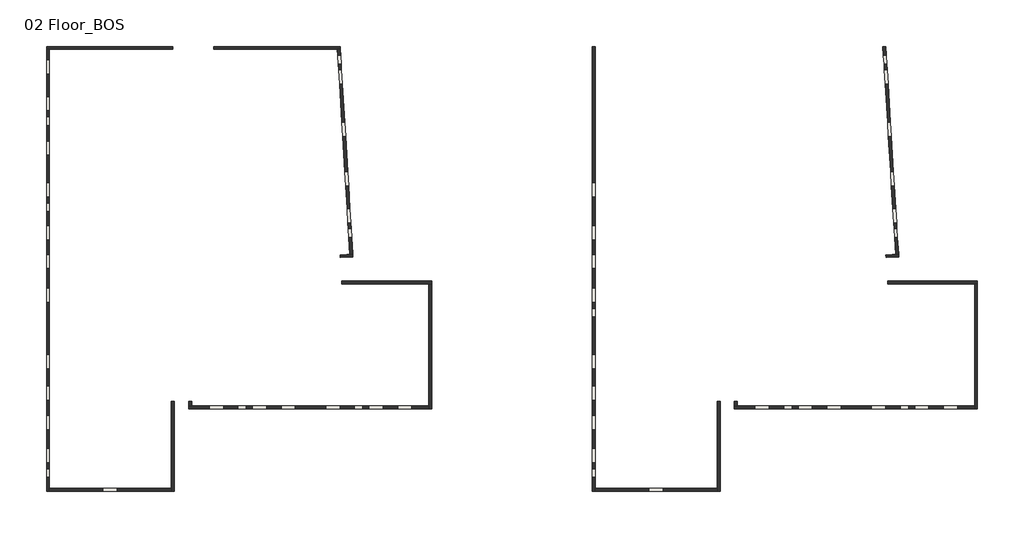
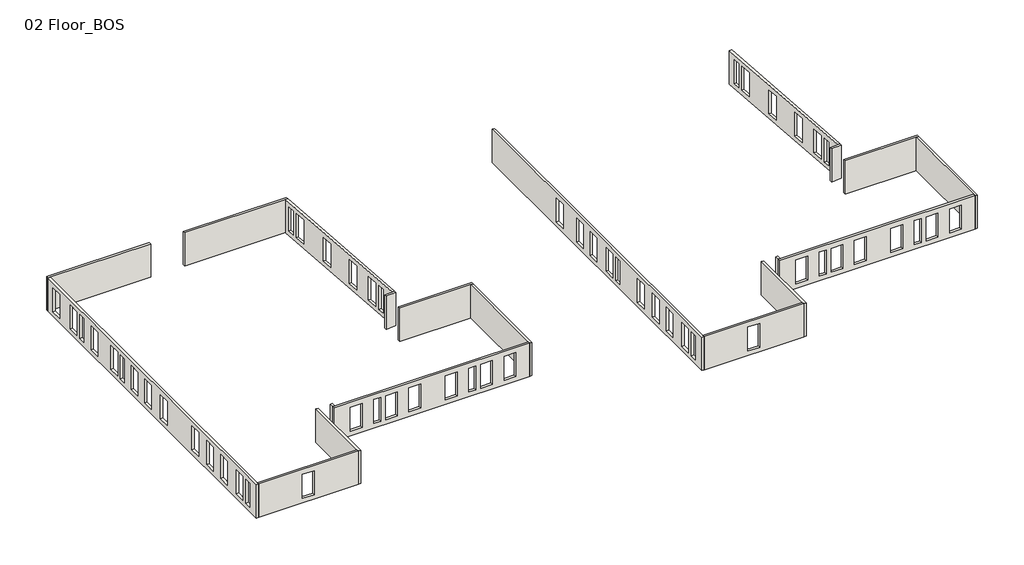
# One storey: 20 walls.
"""IFC4 building model written with IfcOpenShell, lengths in millimetres."""

import ifcopenshell
import ifcopenshell.guid

model = None  # the IFC model being written
_history = None  # IfcOwnerHistory: only IFC2X3 demands one
_inside = {}  # id of a spatial element -> (the spatial element, [elements in it])
_under = {}  # id of a project, library or spatial element -> (it, [spatial elements below it])
_declared = {}  # id of a project -> (the project, [libraries it declares])
_typed = {}  # id of a type object -> (the type object, [elements of that type])
_made_of = {}  # id of a material, layer set ... -> (it, [elements and type objects made of it])


def new_model(schema):
    """Start an empty IFC model of exactly this schema.

    Asked for "IFC4X3", IfcOpenShell would pick the latest addendum, in which some entities
    have other attributes; the version numbers below select the first issue.
    IFC2X3 requires an IfcOwnerHistory on every rooted entity: one is made here for all.
    """
    global model, _history
    if schema == "IFC4X3":
        model = ifcopenshell.file(schema_version=(4, 3, 0, 0))
    else:
        model = ifcopenshell.file(schema=schema)
    _inside.clear()
    _under.clear()
    _declared.clear()
    _typed.clear()
    _made_of.clear()
    _history = None
    if model.schema == "IFC2X3":
        org = make("IfcOrganization", Name="unknown")
        user = make(
            "IfcPersonAndOrganization",
            ThePerson=make("IfcPerson", FamilyName="unknown"),
            TheOrganization=org,
        )
        app = make(
            "IfcApplication",
            ApplicationDeveloper=org,
            Version="unknown",
            ApplicationFullName="unknown",
            ApplicationIdentifier="unknown",
        )
        _history = make(
            "IfcOwnerHistory",
            OwningUser=user,
            OwningApplication=app,
            ChangeAction="ADDED",
            CreationDate=0,
        )
    return model


def make(cls, **values):
    """One entity of the class cls with the attributes given. An attribute that is None is left unset."""
    return model.create_entity(
        cls, **{name: value for name, value in values.items() if value is not None}
    )


def rooted(cls, **values):
    """An entity with a GlobalId (a new one), such as an element, a storey or a relation."""
    return make(cls, GlobalId=ifcopenshell.guid.new(), OwnerHistory=_history, **values)


def si_unit(unit_type, name, prefix=None):
    """IfcSIUnit, for example si_unit("LENGTHUNIT", "METRE", prefix="MILLI")."""
    return make("IfcSIUnit", UnitType=unit_type, Prefix=prefix, Name=name)


def assignment(units):
    """IfcUnitAssignment: the units of a project."""
    return None if units is None else make("IfcUnitAssignment", Units=units)


def point(xyz):
    """IfcCartesianPoint."""
    return None if xyz is None else make("IfcCartesianPoint", Coordinates=xyz)


def direction(xyz):
    """IfcDirection."""
    return None if xyz is None else make("IfcDirection", DirectionRatios=xyz)


def frame(location, z_axis=None, x_axis=None):
    """IfcAxis2Placement3D, a coordinate frame: its origin and axes. An axis left out is left unset."""
    return make(
        "IfcAxis2Placement3D",
        Location=point(location),
        Axis=direction(z_axis),
        RefDirection=direction(x_axis),
    )


def origin():
    """The frame at (0, 0, 0) with its axes left unset."""
    return frame((0.0, 0.0, 0.0))


def place(relative_to, where):
    """IfcLocalPlacement: puts the frame where relative to a parent placement (None: the world)."""
    return make(
        "IfcLocalPlacement", PlacementRelTo=relative_to, RelativePlacement=where
    )


def context(
    kind, dimensions, precision=None, world=None, true_north=None, identifier=None
):
    """IfcGeometricRepresentationContext, for example the 3D "Model" context."""
    return make(
        "IfcGeometricRepresentationContext",
        ContextIdentifier=identifier,
        ContextType=kind,
        CoordinateSpaceDimension=dimensions,
        Precision=precision,
        WorldCoordinateSystem=world,
        TrueNorth=true_north,
    )


def project(units=None, contexts=None):
    """IfcProject with its units and contexts."""
    return rooted(
        "IfcProject",
        Name="project",
        RepresentationContexts=contexts,
        UnitsInContext=assignment(units),
    )


def spatial(cls, under=None, at=None, **own):
    """A site, building, storey or space (cls), placed at a placement, below another one or the project."""
    s = rooted(cls, ObjectPlacement=at, **own)
    if under is not None:
        _under.setdefault(under.id(), (under, []))[1].append(s)
    return s


def faces_of(points, faces, orient=None, outer=None):
    """IfcFace entities. A face is a list of loops; a loop is a list of indices into points, from 0.

    orient and outer hold one flag for each loop. By default every Orientation is true, the
    first loop of a face is its IfcFaceOuterBound and the others are IfcFaceBound.
    """
    made = []
    for i, loops in enumerate(faces):
        bounds = []
        for j, loop in enumerate(loops):
            is_outer = j == 0 if outer is None else outer[i][j]
            bounds.append(
                make(
                    "IfcFaceOuterBound" if is_outer else "IfcFaceBound",
                    Bound=make("IfcPolyLoop", Polygon=[points[k] for k in loop]),
                    Orientation=True if orient is None else orient[i][j],
                )
            )
        made.append(make("IfcFace", Bounds=bounds))
    return made


def faceted_brep(points, faces, orient=None, outer=None, voids=None):
    """IfcFacetedBrep: a solid bounded by flat faces; with voids (closed shells), ...WithVoids."""
    shared = [point(p) for p in points]
    hull = make("IfcClosedShell", CfsFaces=faces_of(shared, faces, orient, outer))
    if voids is None:
        return make("IfcFacetedBrep", Outer=hull)
    return make(
        "IfcFacetedBrepWithVoids",
        Outer=hull,
        Voids=[
            make(cls, CfsFaces=faces_of(shared, fs, o, b)) for cls, fs, o, b in voids
        ],
    )


def shape(context_of_items, identifier, shape_type, items):
    """IfcShapeRepresentation: the items that make up one representation, for example the "Body"."""
    return make(
        "IfcShapeRepresentation",
        ContextOfItems=context_of_items,
        RepresentationIdentifier=identifier,
        RepresentationType=shape_type,
        Items=items,
    )


def made_of(thing, what):
    """Note that an element or type object is made of a material, layer set ...; save() writes the relation."""
    if what is not None:
        _made_of.setdefault(what.id(), (what, []))[1].append(thing)
    return thing


def element(
    cls,
    number,
    at=None,
    inside=None,
    cuts=None,
    type_object=None,
    material=None,
    context=None,
    identifier="Body",
    shape_type=None,
    held_by="IfcProductDefinitionShape",
    body=None,
    shapes=None,
    **own,
):
    """One element of the class cls, such as IfcWall. Its Tag is "e" and its number.

    at: its placement. inside: the storey or other place that contains it. cuts: it is an
    opening in that element (IfcRelVoidsElement). A single representation is given by context,
    identifier, shape_type and body (its items); several are given by shapes. held_by: the class
    of the entity that holds the representations. save() writes the other relations.
    """
    e = rooted(cls, Tag="e%d" % number, ObjectPlacement=at, **own)
    if body is not None:
        shapes = [shape(context, identifier, shape_type, body)]
    if shapes is not None:
        e.Representation = make(held_by, Representations=shapes)
    if inside is not None:
        _inside.setdefault(inside.id(), (inside, []))[1].append(e)
    if cuts is not None:
        rooted(
            "IfcRelVoidsElement", RelatingBuildingElement=cuts, RelatedOpeningElement=e
        )
    if type_object is not None:
        _typed.setdefault(type_object.id(), (type_object, []))[1].append(e)
    return made_of(e, material)


def aggregate(whole, parts):
    """IfcRelAggregates: a whole, such as a stair, and the parts it consists of."""
    return rooted("IfcRelAggregates", RelatingObject=whole, RelatedObjects=parts)


def save(model, path):
    """Write the relations noted so far, then the file.

    IfcRelAggregates (storeys below a building ...), IfcRelContainedInSpatialStructure (elements
    in a storey), IfcRelDefinesByType, IfcRelAssociatesMaterial and IfcRelDeclares: one each for
    every whole, place, type object, material and project.
    """
    for whole, parts in _under.values():
        aggregate(whole, parts)
    for where, things in _inside.values():
        rooted(
            "IfcRelContainedInSpatialStructure",
            RelatedElements=things,
            RelatingStructure=where,
        )
    for kind, things in _typed.values():
        rooted("IfcRelDefinesByType", RelatedObjects=things, RelatingType=kind)
    for what, things in _made_of.values():
        rooted("IfcRelAssociatesMaterial", RelatedObjects=things, RelatingMaterial=what)
    for by, libraries in _declared.values():
        rooted("IfcRelDeclares", RelatingContext=by, RelatedDefinitions=libraries)
    model.write(path)


model = new_model("IFC4")

# Units and contexts
model_context = context("Model", 3, world=origin())
ifc_project = project(units=[si_unit("LENGTHUNIT", "METRE", prefix="MILLI")], contexts=[model_context])

# Site, building, storey
site = spatial("IfcSite", under=ifc_project)
building = spatial("IfcBuilding", under=site)
storey = spatial("IfcBuildingStorey", under=building, Name="02 Floor_BOS", Elevation=6600.0)

# Walls
placement = place(None, origin())
element("IfcWall", 1, ObjectType="GK(2) WD(15)", at=placement, inside=storey, context=model_context, shape_type="Brep", body=[
    faceted_brep([(27156.2953977, 18735.4777309, 6600.0), (28034.5898001, 18789.1965178, 6600.0), (28034.5898001, 18789.1965178, 9600.0), (27156.2953977, 18735.4777309, 9600.0), (27144.0856897, 18935.1046906, 6600.0), (27144.0856897, 18935.1046906, 9600.0), (27822.7531326, 18976.6137696, 9600.0), (28022.3800922, 18988.8234775, 9600.0), (28022.3800922, 18988.8234775, 6600.0), (27822.7531326, 18976.6137696, 6600.0)], [[[0, 1, 2, 3]], [[4, 5, 6, 7, 8, 9]], [[1, 0, 4, 9, 8]], [[3, 2, 7, 6, 5]], [[0, 3, 5, 4]], [[2, 1, 8, 7]]]),
])
element("IfcWall", 2, ObjectType="GK(2) WD(15)", at=placement, inside=storey, context=model_context, shape_type="Brep", body=[
    faceted_brep([(15399.5112257, 2667.8570406, 6600.0), (6899.5112257, 2667.8570406, 6600.0), (6899.5112257, 2667.8570406, 9600.0), (15399.5112257, 2667.8570406, 9600.0), (10628.5611175, 2667.8570406, 9150.0), (10628.5611175, 2667.8570406, 7000.0), (11628.5611175, 2667.8570406, 7000.0), (11628.5611175, 2667.8570406, 9150.0), (6899.5112257, 2467.8570406, 6600.0), (15399.5112257, 2467.8570406, 6600.0), (15399.5112257, 2467.8570406, 9600.0), (6899.5112257, 2467.8570406, 9600.0), (10628.5611175, 2467.8570406, 6990.0), (10628.5611175, 2467.8570406, 9150.0), (11628.5611175, 2467.8570406, 9150.0), (11628.5611175, 2467.8570406, 6990.0)], [[[0, 1, 2, 3], [4, 5, 6, 7]], [[8, 9, 10, 11], [12, 13, 14, 15]], [[1, 0, 9, 8]], [[3, 2, 11, 10]], [[0, 3, 10, 9]], [[2, 1, 8, 11]], [[12, 5, 4, 13]], [[5, 12, 15, 6]], [[6, 15, 14, 7]], [[13, 4, 7, 14]]]),
])
element("IfcWall", 3, ObjectType="GK(2) WD(15)", at=placement, inside=storey, context=model_context, shape_type="Brep", body=[
    faceted_brep([(15399.5112257, 8723.2434241, 6600.0), (15399.5112257, 2667.8570406, 6600.0), (15399.5112257, 2467.8570406, 6600.0), (15399.5112257, 2467.8570406, 9600.0), (15399.5112257, 2667.8570406, 9600.0), (15399.5112257, 8723.2434241, 9600.0), (15599.5112257, 8723.2434241, 6600.0), (15599.5112257, 8723.2434241, 9600.0), (15599.5112257, 2467.8570406, 9600.0), (15599.5112257, 2467.8570406, 6600.0)], [[[0, 1, 2, 3, 4, 5]], [[6, 7, 8, 9]], [[2, 1, 0, 6, 9]], [[5, 4, 3, 8, 7]], [[0, 5, 7, 6]], [[3, 2, 9, 8]]]),
])
element("IfcWall", 4, ObjectType="GK(2) WD(15)", at=placement, inside=storey, context=model_context, shape_type="Brep", body=[
    faceted_brep([(6699.5112257, 33257.8507754, 6600.0), (6699.5112257, 2467.8570406, 6600.0), (6699.5112257, 2467.8570406, 9600.0), (6699.5112257, 33257.8507754, 9600.0), (6699.5112257, 4442.8585979, 9150.0), (6699.5112257, 4442.8585979, 6990.0), (6699.5112257, 5442.8585979, 6990.0), (6699.5112257, 5442.8585979, 9150.0), (6699.5112257, 4032.8585979, 6990.0), (6699.5112257, 4032.8585979, 9150.0), (6699.5112257, 3432.8585979, 9150.0), (6699.5112257, 3432.8585979, 6990.0), (6699.5112257, 20972.8585979, 6990.0), (6699.5112257, 20972.8585979, 9150.0), (6699.5112257, 19972.8585979, 9150.0), (6699.5112257, 19972.8585979, 6990.0), (6699.5112257, 18972.8585979, 6990.0), (6699.5112257, 18972.8585979, 9150.0), (6699.5112257, 17972.8585979, 9150.0), (6699.5112257, 17972.8585979, 6990.0), (6699.5112257, 11002.8585985, 9150.0), (6699.5112257, 11002.8585985, 6990.0), (6699.5112257, 12002.8585985, 6990.0), (6699.5112257, 12002.8585985, 9150.0), (6699.5112257, 9792.8585979, 6990.0), (6699.5112257, 9792.8585979, 9150.0), (6699.5112257, 8792.8585979, 9150.0), (6699.5112257, 8792.8585979, 6990.0), (6699.5112257, 7732.8585979, 6990.0), (6699.5112257, 7732.8585979, 9150.0), (6699.5112257, 6732.8585979, 9150.0), (6699.5112257, 6732.8585979, 6990.0), (6699.5112257, 15622.8585987, 9150.0), (6699.5112257, 15622.8585987, 6990.0), (6699.5112257, 16622.8585987, 6990.0), (6699.5112257, 16622.8585987, 9150.0), (6699.5112257, 22972.8585979, 9150.0), (6699.5112257, 22972.8585979, 6990.0), (6699.5112257, 23972.8585979, 6990.0), (6699.5112257, 23972.8585979, 9150.0), (6699.5112257, 22552.8585979, 6990.0), (6699.5112257, 22552.8585979, 9150.0), (6699.5112257, 21952.8585979, 9150.0), (6699.5112257, 21952.8585979, 6990.0), (6699.5112257, 28972.7138078, 9150.0), (6699.5112257, 28972.7138078, 6990.0), (6699.5112257, 29972.7138078, 6990.0), (6699.5112257, 29972.7138078, 9150.0), (6699.5112257, 28552.7138078, 6990.0), (6699.5112257, 28552.7138078, 9150.0), (6699.5112257, 27952.7138078, 9150.0), (6699.5112257, 27952.7138078, 6990.0), (6699.5112257, 26872.8585979, 6990.0), (6699.5112257, 26872.8585979, 9150.0), (6699.5112257, 25872.8585979, 9150.0), (6699.5112257, 25872.8585979, 6990.0), (6699.5112257, 32524.0326222, 6990.0), (6699.5112257, 32524.0326222, 9150.0), (6699.5112257, 31524.0326222, 9150.0), (6699.5112257, 31524.0326222, 6990.0), (6899.5112257, 2467.8570406, 6600.0), (6899.5112257, 2667.8570406, 6600.0), (6899.5112257, 33257.8507754, 6600.0), (6899.5112257, 33257.8507754, 9600.0), (6899.5112257, 2667.8570406, 9600.0), (6899.5112257, 2467.8570406, 9600.0), (6899.5112257, 4442.8585979, 7000.0), (6899.5112257, 4442.8585979, 9150.0), (6899.5112257, 5442.8585979, 9150.0), (6899.5112257, 5442.8585979, 7000.0), (6899.5112257, 4032.8585979, 9150.0), (6899.5112257, 4032.8585979, 7000.0), (6899.5112257, 3432.8585979, 7000.0), (6899.5112257, 3432.8585979, 9150.0), (6899.5112257, 20972.8585979, 9150.0), (6899.5112257, 20972.8585979, 7000.0), (6899.5112257, 19972.8585979, 7000.0), (6899.5112257, 19972.8585979, 9150.0), (6899.5112257, 18972.8585979, 9150.0), (6899.5112257, 18972.8585979, 7000.0), (6899.5112257, 17972.8585979, 7000.0), (6899.5112257, 17972.8585979, 9150.0), (6899.5112257, 11002.8585985, 7000.0), (6899.5112257, 11002.8585985, 9150.0), (6899.5112257, 12002.8585985, 9150.0), (6899.5112257, 12002.8585985, 7000.0), (6899.5112257, 9792.8585979, 9150.0), (6899.5112257, 9792.8585979, 7000.0), (6899.5112257, 8792.8585979, 7000.0), (6899.5112257, 8792.8585979, 9150.0), (6899.5112257, 7732.8585979, 9150.0), (6899.5112257, 7732.8585979, 7000.0), (6899.5112257, 6732.8585979, 7000.0), (6899.5112257, 6732.8585979, 9150.0), (6899.5112257, 15622.8585987, 7000.0), (6899.5112257, 15622.8585987, 9150.0), (6899.5112257, 16622.8585987, 9150.0), (6899.5112257, 16622.8585987, 7000.0), (6899.5112257, 22972.8585979, 7000.0), (6899.5112257, 22972.8585979, 9150.0), (6899.5112257, 23972.8585979, 9150.0), (6899.5112257, 23972.8585979, 7000.0), (6899.5112257, 22552.8585979, 9150.0), (6899.5112257, 22552.8585979, 7000.0), (6899.5112257, 21952.8585979, 7000.0), (6899.5112257, 21952.8585979, 9150.0), (6899.5112257, 28972.7138078, 7000.0), (6899.5112257, 28972.7138078, 9150.0), (6899.5112257, 29972.7138078, 9150.0), (6899.5112257, 29972.7138078, 7000.0), (6899.5112257, 28552.7138078, 9150.0), (6899.5112257, 28552.7138078, 7000.0), (6899.5112257, 27952.7138078, 7000.0), (6899.5112257, 27952.7138078, 9150.0), (6899.5112257, 26872.8585979, 9150.0), (6899.5112257, 26872.8585979, 7000.0), (6899.5112257, 25872.8585979, 7000.0), (6899.5112257, 25872.8585979, 9150.0), (6899.5112257, 32524.0326222, 9150.0), (6899.5112257, 32524.0326222, 7000.0), (6899.5112257, 31524.0326222, 7000.0), (6899.5112257, 31524.0326222, 9150.0)], [[[0, 1, 2, 3], [4, 5, 6, 7], [8, 9, 10, 11], [12, 13, 14, 15], [16, 17, 18, 19], [20, 21, 22, 23], [24, 25, 26, 27], [28, 29, 30, 31], [32, 33, 34, 35], [36, 37, 38, 39], [40, 41, 42, 43], [44, 45, 46, 47], [48, 49, 50, 51], [52, 53, 54, 55], [56, 57, 58, 59]], [[60, 61, 62, 63, 64, 65], [66, 67, 68, 69], [70, 71, 72, 73], [74, 75, 76, 77], [78, 79, 80, 81], [82, 83, 84, 85], [86, 87, 88, 89], [90, 91, 92, 93], [94, 95, 96, 97], [98, 99, 100, 101], [102, 103, 104, 105], [106, 107, 108, 109], [110, 111, 112, 113], [114, 115, 116, 117], [118, 119, 120, 121]], [[1, 0, 62, 61, 60]], [[3, 2, 65, 64, 63]], [[2, 1, 60, 65]], [[0, 3, 63, 62]], [[4, 67, 66, 5]], [[5, 66, 69, 6]], [[6, 69, 68, 7]], [[67, 4, 7, 68]], [[8, 71, 70, 9]], [[71, 8, 11, 72]], [[72, 11, 10, 73]], [[9, 70, 73, 10]], [[12, 75, 74, 13]], [[75, 12, 15, 76]], [[76, 15, 14, 77]], [[13, 74, 77, 14]], [[16, 79, 78, 17]], [[79, 16, 19, 80]], [[80, 19, 18, 81]], [[17, 78, 81, 18]], [[20, 83, 82, 21]], [[21, 82, 85, 22]], [[22, 85, 84, 23]], [[83, 20, 23, 84]], [[24, 87, 86, 25]], [[87, 24, 27, 88]], [[88, 27, 26, 89]], [[25, 86, 89, 26]], [[28, 91, 90, 29]], [[91, 28, 31, 92]], [[92, 31, 30, 93]], [[29, 90, 93, 30]], [[32, 95, 94, 33]], [[33, 94, 97, 34]], [[34, 97, 96, 35]], [[95, 32, 35, 96]], [[36, 99, 98, 37]], [[37, 98, 101, 38]], [[38, 101, 100, 39]], [[99, 36, 39, 100]], [[40, 103, 102, 41]], [[103, 40, 43, 104]], [[104, 43, 42, 105]], [[41, 102, 105, 42]], [[44, 107, 106, 45]], [[45, 106, 109, 46]], [[46, 109, 108, 47]], [[107, 44, 47, 108]], [[48, 111, 110, 49]], [[111, 48, 51, 112]], [[112, 51, 50, 113]], [[49, 110, 113, 50]], [[52, 115, 114, 53]], [[115, 52, 55, 116]], [[116, 55, 54, 117]], [[53, 114, 117, 54]], [[56, 119, 118, 57]], [[119, 56, 59, 120]], [[120, 59, 58, 121]], [[57, 118, 121, 58]]]),
])
element("IfcWall", 5, ObjectType="GK(2) WD(15)", at=placement, inside=storey, context=model_context, shape_type="Brep", body=[
    faceted_brep([(27268.5946432, 16899.4012959, 6600.0), (33319.5112257, 16899.4012959, 6600.0), (33519.5112257, 16899.4012959, 6600.0), (33519.5112257, 16899.4012959, 9600.0), (33319.5112257, 16899.4012959, 9600.0), (27268.5946432, 16899.4012959, 9600.0), (27268.5946432, 16899.4012959, 7000.0), (27256.3621192, 17099.4012959, 6600.0), (27256.3621192, 17099.4012959, 9600.0), (33519.5112257, 17099.4012959, 9600.0), (33519.5112257, 17099.4012959, 6600.0)], [[[0, 1, 2, 3, 4, 5, 6]], [[7, 8, 9, 10]], [[2, 1, 0, 7, 10]], [[5, 4, 3, 9, 8]], [[3, 2, 10, 9]], [[0, 6, 5, 8, 7]]]),
])
element("IfcWall", 6, ObjectType="GK(2) WD(15)", at=placement, inside=storey, context=model_context, shape_type="Brep", body=[
    faceted_brep([(33319.5112257, 16899.4012959, 6600.0), (33319.5112257, 8399.4012959, 6600.0), (33319.5112257, 8199.4012959, 6600.0), (33319.5112257, 8199.4012959, 9600.0), (33319.5112257, 8399.4012959, 9600.0), (33319.5112257, 16899.4012959, 9600.0), (33519.5112257, 16899.4012959, 6600.0), (33519.5112257, 16899.4012959, 9600.0), (33519.5112257, 8199.4012959, 9600.0), (33519.5112257, 8199.4012959, 6600.0)], [[[0, 1, 2, 3, 4, 5]], [[6, 7, 8, 9]], [[2, 1, 0, 6, 9]], [[5, 4, 3, 8, 7]], [[0, 5, 7, 6]], [[3, 2, 9, 8]]]),
])
element("IfcWall", 7, ObjectType="GK(2) WD(15)", at=placement, inside=storey, context=model_context, shape_type="Brep", body=[
    faceted_brep([(33319.5112257, 8399.4012959, 6600.0), (16799.5112257, 8399.4012959, 6600.0), (16599.5112257, 8399.4012959, 6600.0), (16599.5112257, 8399.4012959, 9600.0), (16799.5112257, 8399.4012959, 9600.0), (33319.5112257, 8399.4012959, 9600.0), (29139.7972097, 8399.4012959, 9150.0), (29139.7972097, 8399.4012959, 7000.0), (30139.7972097, 8399.4012959, 7000.0), (30139.7972097, 8399.4012959, 9150.0), (21029.7963269, 8399.4012959, 9150.0), (21029.7963269, 8399.4012959, 7000.0), (22029.7963269, 8399.4012959, 7000.0), (22029.7963269, 8399.4012959, 9150.0), (20619.5112257, 8399.4012959, 7000.0), (20619.5112257, 8399.4012959, 9150.0), (20019.5112257, 8399.4012959, 9150.0), (20019.5112257, 8399.4012959, 7000.0), (28729.7975851, 8399.4012959, 7000.0), (28729.7975851, 8399.4012959, 9150.0), (28129.7975851, 8399.4012959, 9150.0), (28129.7975851, 8399.4012959, 7000.0), (26139.796893, 8399.4012959, 9150.0), (26139.796893, 8399.4012959, 7000.0), (27139.796893, 8399.4012959, 7000.0), (27139.796893, 8399.4012959, 9150.0), (32139.797509, 8399.4012959, 7000.0), (32139.797509, 8399.4012959, 9150.0), (31139.797509, 8399.4012959, 9150.0), (31139.797509, 8399.4012959, 7000.0), (24029.7965077, 8399.4012959, 7000.0), (24029.7965077, 8399.4012959, 9150.0), (23029.7965077, 8399.4012959, 9150.0), (23029.7965077, 8399.4012959, 7000.0), (18029.7959279, 8399.4012959, 9150.0), (18029.7959279, 8399.4012959, 7000.0), (19029.7959279, 8399.4012959, 7000.0), (19029.7959279, 8399.4012959, 9150.0), (16599.5112257, 8199.4012959, 6600.0), (33319.5112257, 8199.4012959, 6600.0), (33319.5112257, 8199.4012959, 9600.0), (16599.5112257, 8199.4012959, 9600.0), (29139.7972097, 8199.4012959, 6990.0), (29139.7972097, 8199.4012959, 9150.0), (30139.7972097, 8199.4012959, 9150.0), (30139.7972097, 8199.4012959, 6990.0), (21029.7963269, 8199.4012959, 6990.0), (21029.7963269, 8199.4012959, 9150.0), (22029.7963269, 8199.4012959, 9150.0), (22029.7963269, 8199.4012959, 6990.0), (20619.5112257, 8199.4012959, 9150.0), (20619.5112257, 8199.4012959, 6990.0), (20019.5112257, 8199.4012959, 6990.0), (20019.5112257, 8199.4012959, 9150.0), (28729.7975851, 8199.4012959, 9150.0), (28729.7975851, 8199.4012959, 6990.0), (28129.7975851, 8199.4012959, 6990.0), (28129.7975851, 8199.4012959, 9150.0), (26139.796893, 8199.4012959, 6990.0), (26139.796893, 8199.4012959, 9150.0), (27139.796893, 8199.4012959, 9150.0), (27139.796893, 8199.4012959, 6990.0), (32139.797509, 8199.4012959, 9150.0), (32139.797509, 8199.4012959, 6990.0), (31139.797509, 8199.4012959, 6990.0), (31139.797509, 8199.4012959, 9150.0), (24029.7965077, 8199.4012959, 9150.0), (24029.7965077, 8199.4012959, 6990.0), (23029.7965077, 8199.4012959, 6990.0), (23029.7965077, 8199.4012959, 9150.0), (18029.7959279, 8199.4012959, 6990.0), (18029.7959279, 8199.4012959, 9150.0), (19029.7959279, 8199.4012959, 9150.0), (19029.7959279, 8199.4012959, 6990.0)], [[[0, 1, 2, 3, 4, 5], [6, 7, 8, 9], [10, 11, 12, 13], [14, 15, 16, 17], [18, 19, 20, 21], [22, 23, 24, 25], [26, 27, 28, 29], [30, 31, 32, 33], [34, 35, 36, 37]], [[38, 39, 40, 41], [42, 43, 44, 45], [46, 47, 48, 49], [50, 51, 52, 53], [54, 55, 56, 57], [58, 59, 60, 61], [62, 63, 64, 65], [66, 67, 68, 69], [70, 71, 72, 73]], [[2, 1, 0, 39, 38]], [[5, 4, 3, 41, 40]], [[0, 5, 40, 39]], [[3, 2, 38, 41]], [[42, 7, 6, 43]], [[7, 42, 45, 8]], [[8, 45, 44, 9]], [[43, 6, 9, 44]], [[46, 11, 10, 47]], [[11, 46, 49, 12]], [[12, 49, 48, 13]], [[47, 10, 13, 48]], [[50, 15, 14, 51]], [[51, 14, 17, 52]], [[52, 17, 16, 53]], [[15, 50, 53, 16]], [[54, 19, 18, 55]], [[55, 18, 21, 56]], [[56, 21, 20, 57]], [[19, 54, 57, 20]], [[58, 23, 22, 59]], [[23, 58, 61, 24]], [[24, 61, 60, 25]], [[59, 22, 25, 60]], [[62, 27, 26, 63]], [[63, 26, 29, 64]], [[64, 29, 28, 65]], [[27, 62, 65, 28]], [[66, 31, 30, 67]], [[67, 30, 33, 68]], [[68, 33, 32, 69]], [[31, 66, 69, 32]], [[70, 35, 34, 71]], [[35, 70, 73, 36]], [[36, 73, 72, 37]], [[71, 34, 37, 72]]]),
])
element("IfcWall", 8, ObjectType="GK(2) WD(15)", at=placement, inside=storey, context=model_context, shape_type="Brep", body=[
    faceted_brep([(16799.5112257, 8399.4012959, 6600.0), (16799.5112257, 8723.2434159, 6600.0), (16799.5112257, 8723.2434159, 7000.0), (16799.5112257, 8723.2434159, 9600.0), (16799.5112257, 8399.4012959, 9600.0), (16599.5112257, 8399.4012959, 6600.0), (16599.5112257, 8399.4012959, 9600.0), (16599.5112257, 8723.2434159, 9600.0), (16599.5112257, 8723.2434159, 6600.0)], [[[0, 1, 2, 3, 4]], [[5, 6, 7, 8]], [[1, 0, 5, 8]], [[4, 3, 7, 6]], [[0, 4, 6, 5]], [[3, 2, 1, 8, 7]]]),
])
element("IfcWall", 9, ObjectType="GK(2) WD(15)", at=placement, inside=storey, context=model_context, shape_type="Brep", body=[
    faceted_brep([(6699.5112257, 33257.8507754, 6600.0), (6899.5112257, 33257.8507754, 6600.0), (15474.5112257, 33257.8507754, 6600.0), (15474.5112257, 33257.8507754, 9600.0), (6899.5112257, 33257.8507754, 9600.0), (6699.5112257, 33257.8507754, 9600.0), (6699.5112257, 33457.8507754, 6600.0), (6699.5112257, 33457.8507754, 9600.0), (15474.5112257, 33457.8507754, 9600.0), (15474.5112257, 33457.8507754, 6600.0)], [[[0, 1, 2, 3, 4, 5]], [[6, 7, 8, 9]], [[2, 1, 0, 6, 9]], [[3, 2, 9, 8]], [[5, 4, 3, 8, 7]], [[0, 5, 7, 6]]]),
])
element("IfcWall", 10, ObjectType="GK(2) WD(15)", at=placement, inside=storey, context=model_context, shape_type="Brep", body=[
    faceted_brep([(26949.2752583, 33257.8507754, 6600.0), (27822.7531326, 18976.6137696, 6600.0), (27822.7531326, 18976.6137696, 6850.0), (27822.7531326, 18976.6137696, 9600.0), (26949.2752583, 33257.8507754, 9600.0), (26949.2752583, 33257.8507754, 6850.0), (27689.6854178, 21152.2516735, 9150.0), (27689.6854178, 21152.2516735, 7000.0), (27628.6368783, 22150.3864719, 7000.0), (27628.6368783, 22150.3864719, 9150.0), (27037.2421665, 31819.6045402, 7000.0), (27037.2421665, 31819.6045402, 9150.0), (27098.290706, 30821.4697418, 9150.0), (27098.290706, 30821.4697418, 7000.0), (27714.7153191, 20743.0164049, 7000.0), (27714.7153191, 20743.0164049, 9150.0), (27751.3444429, 20144.1355259, 9150.0), (27751.3444429, 20144.1355259, 7000.0), (27012.2122652, 32228.8398076, 9150.0), (27012.2122652, 32228.8398076, 7000.0), (26975.5831415, 32827.7206866, 7000.0), (26975.5831415, 32827.7206866, 9150.0), (27470.0763118, 24742.8288194, 7000.0), (27470.0763118, 24742.8288194, 9150.0), (27531.1248513, 23744.694021, 9150.0), (27531.1248513, 23744.694021, 7000.0), (27260.0693358, 28176.412526, 7000.0), (27260.0693358, 28176.412526, 9150.0), (27321.1178753, 27178.2777275, 9150.0), (27321.1178753, 27178.2777275, 7000.0), (28022.3800922, 18988.8234775, 6600.0), (27149.6489957, 33257.8507754, 6600.0), (27149.6489957, 33257.8507754, 9600.0), (28022.3800922, 18988.8234775, 9600.0), (27889.3123775, 21164.4613814, 6990.0), (27889.3123775, 21164.4613814, 9150.0), (27828.263838, 22162.5961798, 9150.0), (27828.263838, 22162.5961798, 6990.0), (27236.8691261, 31831.8142481, 9150.0), (27236.8691261, 31831.8142481, 6990.0), (27297.9176657, 30833.6794497, 6990.0), (27297.9176657, 30833.6794497, 9150.0), (27914.3422788, 20755.2261128, 9150.0), (27914.3422788, 20755.2261128, 6990.0), (27950.9714025, 20156.3452338, 6990.0), (27950.9714025, 20156.3452338, 9150.0), (27211.8392249, 32241.0495155, 6990.0), (27211.8392249, 32241.0495155, 9150.0), (27175.2101012, 32839.9303945, 9150.0), (27175.2101012, 32839.9303945, 6990.0), (27669.7032714, 24755.0385273, 9150.0), (27669.7032714, 24755.0385273, 6990.0), (27730.751811, 23756.9037289, 6990.0), (27730.751811, 23756.9037289, 9150.0), (27459.6962954, 28188.6222339, 9150.0), (27459.6962954, 28188.6222339, 6990.0), (27520.744835, 27190.4874355, 6990.0), (27520.744835, 27190.4874355, 9150.0)], [[[0, 1, 2, 3, 4, 5], [6, 7, 8, 9], [10, 11, 12, 13], [14, 15, 16, 17], [18, 19, 20, 21], [22, 23, 24, 25], [26, 27, 28, 29]], [[30, 31, 32, 33], [34, 35, 36, 37], [38, 39, 40, 41], [42, 43, 44, 45], [46, 47, 48, 49], [50, 51, 52, 53], [54, 55, 56, 57]], [[1, 0, 31, 30]], [[4, 3, 33, 32]], [[1, 30, 33, 3, 2]], [[34, 7, 6, 35]], [[7, 34, 37, 8]], [[8, 37, 36, 9]], [[35, 6, 9, 36]], [[38, 11, 10, 39]], [[39, 10, 13, 40]], [[40, 13, 12, 41]], [[11, 38, 41, 12]], [[42, 15, 14, 43]], [[43, 14, 17, 44]], [[44, 17, 16, 45]], [[15, 42, 45, 16]], [[46, 19, 18, 47]], [[19, 46, 49, 20]], [[20, 49, 48, 21]], [[47, 18, 21, 48]], [[50, 23, 22, 51]], [[51, 22, 25, 52]], [[52, 25, 24, 53]], [[23, 50, 53, 24]], [[54, 27, 26, 55]], [[55, 26, 29, 56]], [[56, 29, 28, 57]], [[27, 54, 57, 28]], [[4, 32, 31, 0, 5]]]),
])
element("IfcWall", 11, ObjectType="GK(2) WD(15)", at=placement, inside=storey, context=model_context, shape_type="Brep", body=[
    faceted_brep([(65156.2953977, 18735.4777309, 6600.0), (66034.5898001, 18789.1965178, 6600.0), (66034.5898001, 18789.1965178, 9600.0), (65156.2953977, 18735.4777309, 9600.0), (65144.0856897, 18935.1046906, 6600.0), (65144.0856897, 18935.1046906, 9600.0), (65822.7531326, 18976.6137696, 9600.0), (66022.3800922, 18988.8234775, 9600.0), (66022.3800922, 18988.8234775, 6600.0), (65822.7531326, 18976.6137696, 6600.0)], [[[0, 1, 2, 3]], [[4, 5, 6, 7, 8, 9]], [[1, 0, 4, 9, 8]], [[3, 2, 7, 6, 5]], [[0, 3, 5, 4]], [[2, 1, 8, 7]]]),
])
element("IfcWall", 12, ObjectType="GK(2) WD(15)", at=placement, inside=storey, context=model_context, shape_type="Brep", body=[
    faceted_brep([(53399.5112257, 2667.8570406, 6600.0), (44899.5112257, 2667.8570406, 6600.0), (44899.5112257, 2667.8570406, 9600.0), (53399.5112257, 2667.8570406, 9600.0), (48628.5611175, 2667.8570406, 9150.0), (48628.5611175, 2667.8570406, 7000.0), (49628.5611175, 2667.8570406, 7000.0), (49628.5611175, 2667.8570406, 9150.0), (44899.5112257, 2467.8570406, 6600.0), (53399.5112257, 2467.8570406, 6600.0), (53399.5112257, 2467.8570406, 9600.0), (44899.5112257, 2467.8570406, 9600.0), (48628.5611175, 2467.8570406, 6990.0), (48628.5611175, 2467.8570406, 9150.0), (49628.5611175, 2467.8570406, 9150.0), (49628.5611175, 2467.8570406, 6990.0)], [[[0, 1, 2, 3], [4, 5, 6, 7]], [[8, 9, 10, 11], [12, 13, 14, 15]], [[1, 0, 9, 8]], [[3, 2, 11, 10]], [[0, 3, 10, 9]], [[2, 1, 8, 11]], [[12, 5, 4, 13]], [[5, 12, 15, 6]], [[6, 15, 14, 7]], [[13, 4, 7, 14]]]),
])
element("IfcWall", 13, ObjectType="GK(2) WD(15)", at=placement, inside=storey, context=model_context, shape_type="Brep", body=[
    faceted_brep([(53399.5112257, 8723.2434241, 6600.0), (53399.5112257, 2667.8570406, 6600.0), (53399.5112257, 2467.8570406, 6600.0), (53399.5112257, 2467.8570406, 9600.0), (53399.5112257, 2667.8570406, 9600.0), (53399.5112257, 8723.2434241, 9600.0), (53599.5112257, 8723.2434241, 6600.0), (53599.5112257, 8723.2434241, 9600.0), (53599.5112257, 2467.8570406, 9600.0), (53599.5112257, 2467.8570406, 6600.0)], [[[0, 1, 2, 3, 4, 5]], [[6, 7, 8, 9]], [[2, 1, 0, 6, 9]], [[5, 4, 3, 8, 7]], [[0, 5, 7, 6]], [[3, 2, 9, 8]]]),
])
element("IfcWall", 14, ObjectType="GK(2) WD(15)", at=placement, inside=storey, context=model_context, shape_type="Brep", body=[
    faceted_brep([(44699.5112257, 33457.8507754, 6600.0), (44699.5112257, 2467.8570406, 6600.0), (44699.5112257, 2467.8570406, 9600.0), (44699.5112257, 33457.8507754, 9600.0), (44699.5112257, 15622.8585987, 9150.0), (44699.5112257, 15622.8585987, 6990.0), (44699.5112257, 16622.8585987, 6990.0), (44699.5112257, 16622.8585987, 9150.0), (44699.5112257, 4442.8585979, 9150.0), (44699.5112257, 4442.8585979, 6990.0), (44699.5112257, 5442.8585979, 6990.0), (44699.5112257, 5442.8585979, 9150.0), (44699.5112257, 15212.8585979, 6990.0), (44699.5112257, 15212.8585979, 9150.0), (44699.5112257, 14612.8585979, 9150.0), (44699.5112257, 14612.8585979, 6990.0), (44699.5112257, 4032.8585979, 6990.0), (44699.5112257, 4032.8585979, 9150.0), (44699.5112257, 3432.8585979, 9150.0), (44699.5112257, 3432.8585979, 6990.0), (44699.5112257, 20972.8585979, 6990.0), (44699.5112257, 20972.8585979, 9150.0), (44699.5112257, 19972.8585979, 9150.0), (44699.5112257, 19972.8585979, 6990.0), (44699.5112257, 18972.8585979, 6990.0), (44699.5112257, 18972.8585979, 9150.0), (44699.5112257, 17972.8585979, 9150.0), (44699.5112257, 17972.8585979, 6990.0), (44699.5112257, 11002.8585985, 9150.0), (44699.5112257, 11002.8585985, 6990.0), (44699.5112257, 12002.8585985, 6990.0), (44699.5112257, 12002.8585985, 9150.0), (44699.5112257, 9792.8585979, 6990.0), (44699.5112257, 9792.8585979, 9150.0), (44699.5112257, 8792.8585979, 9150.0), (44699.5112257, 8792.8585979, 6990.0), (44699.5112257, 7732.8585979, 6990.0), (44699.5112257, 7732.8585979, 9150.0), (44699.5112257, 6732.8585979, 9150.0), (44699.5112257, 6732.8585979, 6990.0), (44699.5112257, 22972.8585979, 9150.0), (44699.5112257, 22972.8585979, 6990.0), (44699.5112257, 23972.8585979, 6990.0), (44699.5112257, 23972.8585979, 9150.0), (44899.5112257, 2467.8570406, 6600.0), (44899.5112257, 2667.8570406, 6600.0), (44899.5112257, 33457.8507754, 6600.0), (44899.5112257, 33457.8507754, 7000.0), (44899.5112257, 33457.8507754, 9600.0), (44899.5112257, 33257.8507754, 9600.0), (44899.5112257, 2667.8570406, 9600.0), (44899.5112257, 2467.8570406, 9600.0), (44899.5112257, 15622.8585987, 7000.0), (44899.5112257, 15622.8585987, 9150.0), (44899.5112257, 16622.8585987, 9150.0), (44899.5112257, 16622.8585987, 7000.0), (44899.5112257, 4442.8585979, 7000.0), (44899.5112257, 4442.8585979, 9150.0), (44899.5112257, 5442.8585979, 9150.0), (44899.5112257, 5442.8585979, 7000.0), (44899.5112257, 15212.8585979, 9150.0), (44899.5112257, 15212.8585979, 7000.0), (44899.5112257, 14612.8585979, 7000.0), (44899.5112257, 14612.8585979, 9150.0), (44899.5112257, 4032.8585979, 9150.0), (44899.5112257, 4032.8585979, 7000.0), (44899.5112257, 3432.8585979, 7000.0), (44899.5112257, 3432.8585979, 9150.0), (44899.5112257, 20972.8585979, 9150.0), (44899.5112257, 20972.8585979, 7000.0), (44899.5112257, 19972.8585979, 7000.0), (44899.5112257, 19972.8585979, 9150.0), (44899.5112257, 18972.8585979, 9150.0), (44899.5112257, 18972.8585979, 7000.0), (44899.5112257, 17972.8585979, 7000.0), (44899.5112257, 17972.8585979, 9150.0), (44899.5112257, 11002.8585985, 7000.0), (44899.5112257, 11002.8585985, 9150.0), (44899.5112257, 12002.8585985, 9150.0), (44899.5112257, 12002.8585985, 7000.0), (44899.5112257, 9792.8585979, 9150.0), (44899.5112257, 9792.8585979, 7000.0), (44899.5112257, 8792.8585979, 7000.0), (44899.5112257, 8792.8585979, 9150.0), (44899.5112257, 7732.8585979, 9150.0), (44899.5112257, 7732.8585979, 7000.0), (44899.5112257, 6732.8585979, 7000.0), (44899.5112257, 6732.8585979, 9150.0), (44899.5112257, 22972.8585979, 7000.0), (44899.5112257, 22972.8585979, 9150.0), (44899.5112257, 23972.8585979, 9150.0), (44899.5112257, 23972.8585979, 7000.0)], [[[0, 1, 2, 3], [4, 5, 6, 7], [8, 9, 10, 11], [12, 13, 14, 15], [16, 17, 18, 19], [20, 21, 22, 23], [24, 25, 26, 27], [28, 29, 30, 31], [32, 33, 34, 35], [36, 37, 38, 39], [40, 41, 42, 43]], [[44, 45, 46, 47, 48, 49, 50, 51], [52, 53, 54, 55], [56, 57, 58, 59], [60, 61, 62, 63], [64, 65, 66, 67], [68, 69, 70, 71], [72, 73, 74, 75], [76, 77, 78, 79], [80, 81, 82, 83], [84, 85, 86, 87], [88, 89, 90, 91]], [[1, 0, 46, 45, 44]], [[3, 2, 51, 50, 49, 48]], [[2, 1, 44, 51]], [[4, 53, 52, 5]], [[5, 52, 55, 6]], [[6, 55, 54, 7]], [[53, 4, 7, 54]], [[8, 57, 56, 9]], [[9, 56, 59, 10]], [[10, 59, 58, 11]], [[57, 8, 11, 58]], [[12, 61, 60, 13]], [[61, 12, 15, 62]], [[62, 15, 14, 63]], [[13, 60, 63, 14]], [[16, 65, 64, 17]], [[65, 16, 19, 66]], [[66, 19, 18, 67]], [[17, 64, 67, 18]], [[20, 69, 68, 21]], [[69, 20, 23, 70]], [[70, 23, 22, 71]], [[21, 68, 71, 22]], [[24, 73, 72, 25]], [[73, 24, 27, 74]], [[74, 27, 26, 75]], [[25, 72, 75, 26]], [[28, 77, 76, 29]], [[29, 76, 79, 30]], [[30, 79, 78, 31]], [[77, 28, 31, 78]], [[32, 81, 80, 33]], [[81, 32, 35, 82]], [[82, 35, 34, 83]], [[33, 80, 83, 34]], [[36, 85, 84, 37]], [[85, 36, 39, 86]], [[86, 39, 38, 87]], [[37, 84, 87, 38]], [[40, 89, 88, 41]], [[41, 88, 91, 42]], [[42, 91, 90, 43]], [[89, 40, 43, 90]], [[0, 3, 48, 47, 46]]]),
])
element("IfcWall", 15, ObjectType="GK(2) WD(15)", at=placement, inside=storey, context=model_context, shape_type="Brep", body=[
    faceted_brep([(65268.5946432, 16899.4012959, 6600.0), (71319.5112257, 16899.4012959, 6600.0), (71519.5112257, 16899.4012959, 6600.0), (71519.5112257, 16899.4012959, 9600.0), (71319.5112257, 16899.4012959, 9600.0), (65268.5946432, 16899.4012959, 9600.0), (65268.5946432, 16899.4012959, 7000.0), (65256.3621192, 17099.4012959, 6600.0), (65256.3621192, 17099.4012959, 9600.0), (71519.5112257, 17099.4012959, 9600.0), (71519.5112257, 17099.4012959, 6600.0)], [[[0, 1, 2, 3, 4, 5, 6]], [[7, 8, 9, 10]], [[2, 1, 0, 7, 10]], [[5, 4, 3, 9, 8]], [[3, 2, 10, 9]], [[0, 6, 5, 8, 7]]]),
])
element("IfcWall", 16, ObjectType="GK(2) WD(15)", at=placement, inside=storey, context=model_context, shape_type="Brep", body=[
    faceted_brep([(71319.5112257, 16899.4012959, 6600.0), (71319.5112257, 8399.4012959, 6600.0), (71319.5112257, 8199.4012959, 6600.0), (71319.5112257, 8199.4012959, 9600.0), (71319.5112257, 8399.4012959, 9600.0), (71319.5112257, 16899.4012959, 9600.0), (71519.5112257, 16899.4012959, 6600.0), (71519.5112257, 16899.4012959, 9600.0), (71519.5112257, 8199.4012959, 9600.0), (71519.5112257, 8199.4012959, 6600.0)], [[[0, 1, 2, 3, 4, 5]], [[6, 7, 8, 9]], [[2, 1, 0, 6, 9]], [[5, 4, 3, 8, 7]], [[0, 5, 7, 6]], [[3, 2, 9, 8]]]),
])
element("IfcWall", 17, ObjectType="GK(2) WD(15)", at=placement, inside=storey, context=model_context, shape_type="Brep", body=[
    faceted_brep([(71319.5112257, 8399.4012959, 6600.0), (54799.5112257, 8399.4012959, 6600.0), (54599.5112257, 8399.4012959, 6600.0), (54599.5112257, 8399.4012959, 9600.0), (54799.5112257, 8399.4012959, 9600.0), (71319.5112257, 8399.4012959, 9600.0), (67139.7972097, 8399.4012959, 9150.0), (67139.7972097, 8399.4012959, 7000.0), (68139.7972097, 8399.4012959, 7000.0), (68139.7972097, 8399.4012959, 9150.0), (59029.7963269, 8399.4012959, 9150.0), (59029.7963269, 8399.4012959, 7000.0), (60029.7963269, 8399.4012959, 7000.0), (60029.7963269, 8399.4012959, 9150.0), (58619.5112257, 8399.4012959, 7000.0), (58619.5112257, 8399.4012959, 9150.0), (58019.5112257, 8399.4012959, 9150.0), (58019.5112257, 8399.4012959, 7000.0), (66729.7975851, 8399.4012959, 7000.0), (66729.7975851, 8399.4012959, 9150.0), (66129.7975851, 8399.4012959, 9150.0), (66129.7975851, 8399.4012959, 7000.0), (64139.796893, 8399.4012959, 9150.0), (64139.796893, 8399.4012959, 7000.0), (65139.796893, 8399.4012959, 7000.0), (65139.796893, 8399.4012959, 9150.0), (70139.797509, 8399.4012959, 7000.0), (70139.797509, 8399.4012959, 9150.0), (69139.797509, 8399.4012959, 9150.0), (69139.797509, 8399.4012959, 7000.0), (62029.7965077, 8399.4012959, 7000.0), (62029.7965077, 8399.4012959, 9150.0), (61029.7965077, 8399.4012959, 9150.0), (61029.7965077, 8399.4012959, 7000.0), (56029.7959279, 8399.4012959, 9150.0), (56029.7959279, 8399.4012959, 7000.0), (57029.7959279, 8399.4012959, 7000.0), (57029.7959279, 8399.4012959, 9150.0), (54599.5112257, 8199.4012959, 6600.0), (71319.5112257, 8199.4012959, 6600.0), (71319.5112257, 8199.4012959, 9600.0), (54599.5112257, 8199.4012959, 9600.0), (67139.7972097, 8199.4012959, 6990.0), (67139.7972097, 8199.4012959, 9150.0), (68139.7972097, 8199.4012959, 9150.0), (68139.7972097, 8199.4012959, 6990.0), (59029.7963269, 8199.4012959, 6990.0), (59029.7963269, 8199.4012959, 9150.0), (60029.7963269, 8199.4012959, 9150.0), (60029.7963269, 8199.4012959, 6990.0), (58619.5112257, 8199.4012959, 9150.0), (58619.5112257, 8199.4012959, 6990.0), (58019.5112257, 8199.4012959, 6990.0), (58019.5112257, 8199.4012959, 9150.0), (66729.7975851, 8199.4012959, 9150.0), (66729.7975851, 8199.4012959, 6990.0), (66129.7975851, 8199.4012959, 6990.0), (66129.7975851, 8199.4012959, 9150.0), (64139.796893, 8199.4012959, 6990.0), (64139.796893, 8199.4012959, 9150.0), (65139.796893, 8199.4012959, 9150.0), (65139.796893, 8199.4012959, 6990.0), (70139.797509, 8199.4012959, 9150.0), (70139.797509, 8199.4012959, 6990.0), (69139.797509, 8199.4012959, 6990.0), (69139.797509, 8199.4012959, 9150.0), (62029.7965077, 8199.4012959, 9150.0), (62029.7965077, 8199.4012959, 6990.0), (61029.7965077, 8199.4012959, 6990.0), (61029.7965077, 8199.4012959, 9150.0), (56029.7959279, 8199.4012959, 6990.0), (56029.7959279, 8199.4012959, 9150.0), (57029.7959279, 8199.4012959, 9150.0), (57029.7959279, 8199.4012959, 6990.0)], [[[0, 1, 2, 3, 4, 5], [6, 7, 8, 9], [10, 11, 12, 13], [14, 15, 16, 17], [18, 19, 20, 21], [22, 23, 24, 25], [26, 27, 28, 29], [30, 31, 32, 33], [34, 35, 36, 37]], [[38, 39, 40, 41], [42, 43, 44, 45], [46, 47, 48, 49], [50, 51, 52, 53], [54, 55, 56, 57], [58, 59, 60, 61], [62, 63, 64, 65], [66, 67, 68, 69], [70, 71, 72, 73]], [[2, 1, 0, 39, 38]], [[5, 4, 3, 41, 40]], [[0, 5, 40, 39]], [[3, 2, 38, 41]], [[42, 7, 6, 43]], [[7, 42, 45, 8]], [[8, 45, 44, 9]], [[43, 6, 9, 44]], [[46, 11, 10, 47]], [[11, 46, 49, 12]], [[12, 49, 48, 13]], [[47, 10, 13, 48]], [[50, 15, 14, 51]], [[51, 14, 17, 52]], [[52, 17, 16, 53]], [[15, 50, 53, 16]], [[54, 19, 18, 55]], [[55, 18, 21, 56]], [[56, 21, 20, 57]], [[19, 54, 57, 20]], [[58, 23, 22, 59]], [[23, 58, 61, 24]], [[24, 61, 60, 25]], [[59, 22, 25, 60]], [[62, 27, 26, 63]], [[63, 26, 29, 64]], [[64, 29, 28, 65]], [[27, 62, 65, 28]], [[66, 31, 30, 67]], [[67, 30, 33, 68]], [[68, 33, 32, 69]], [[31, 66, 69, 32]], [[70, 35, 34, 71]], [[35, 70, 73, 36]], [[36, 73, 72, 37]], [[71, 34, 37, 72]]]),
])
element("IfcWall", 18, ObjectType="GK(2) WD(15)", at=placement, inside=storey, context=model_context, shape_type="Brep", body=[
    faceted_brep([(54799.5112257, 8399.4012959, 6600.0), (54799.5112257, 8723.2434159, 6600.0), (54799.5112257, 8723.2434159, 7000.0), (54799.5112257, 8723.2434159, 9600.0), (54799.5112257, 8399.4012959, 9600.0), (54599.5112257, 8399.4012959, 6600.0), (54599.5112257, 8399.4012959, 9600.0), (54599.5112257, 8723.2434159, 9600.0), (54599.5112257, 8723.2434159, 6600.0)], [[[0, 1, 2, 3, 4]], [[5, 6, 7, 8]], [[1, 0, 5, 8]], [[4, 3, 7, 6]], [[0, 4, 6, 5]], [[3, 2, 1, 8, 7]]]),
])
element("IfcWall", 19, ObjectType="GK(2) WD(15)", at=placement, inside=storey, context=model_context, shape_type="Brep", body=[
    faceted_brep([(64937.0427343, 33457.8507754, 6600.0), (65822.7531326, 18976.6137696, 6600.0), (65822.7531326, 18976.6137696, 6850.0), (65822.7531326, 18976.6137696, 9600.0), (64949.2752583, 33257.8507754, 9600.0), (64937.0427343, 33457.8507754, 9600.0), (64937.0427343, 33457.8507754, 6850.0), (65689.6854178, 21152.2516735, 9150.0), (65689.6854178, 21152.2516735, 7000.0), (65628.6368783, 22150.3864719, 7000.0), (65628.6368783, 22150.3864719, 9150.0), (65037.2421665, 31819.6045402, 7000.0), (65037.2421665, 31819.6045402, 9150.0), (65098.290706, 30821.4697418, 9150.0), (65098.290706, 30821.4697418, 7000.0), (65714.7153191, 20743.0164049, 7000.0), (65714.7153191, 20743.0164049, 9150.0), (65751.3444429, 20144.1355259, 9150.0), (65751.3444429, 20144.1355259, 7000.0), (65012.2122652, 32228.8398076, 9150.0), (65012.2122652, 32228.8398076, 7000.0), (64975.5831415, 32827.7206866, 7000.0), (64975.5831415, 32827.7206866, 9150.0), (65470.0763118, 24742.8288194, 7000.0), (65470.0763118, 24742.8288194, 9150.0), (65531.1248513, 23744.694021, 9150.0), (65531.1248513, 23744.694021, 7000.0), (65260.0693358, 28176.412526, 7000.0), (65260.0693358, 28176.412526, 9150.0), (65321.1178753, 27178.2777275, 9150.0), (65321.1178753, 27178.2777275, 7000.0), (66022.3800922, 18988.8234775, 6600.0), (65137.4164717, 33457.8507754, 6600.0), (65137.4164717, 33457.8507754, 9600.0), (66022.3800922, 18988.8234775, 9600.0), (65889.3123775, 21164.4613814, 6990.0), (65889.3123775, 21164.4613814, 9150.0), (65828.263838, 22162.5961798, 9150.0), (65828.263838, 22162.5961798, 6990.0), (65236.8691261, 31831.8142481, 9150.0), (65236.8691261, 31831.8142481, 6990.0), (65297.9176657, 30833.6794497, 6990.0), (65297.9176657, 30833.6794497, 9150.0), (65914.3422788, 20755.2261128, 9150.0), (65914.3422788, 20755.2261128, 6990.0), (65950.9714025, 20156.3452338, 6990.0), (65950.9714025, 20156.3452338, 9150.0), (65211.8392249, 32241.0495155, 6990.0), (65211.8392249, 32241.0495155, 9150.0), (65175.2101012, 32839.9303945, 9150.0), (65175.2101012, 32839.9303945, 6990.0), (65669.7032714, 24755.0385273, 9150.0), (65669.7032714, 24755.0385273, 6990.0), (65730.751811, 23756.9037289, 6990.0), (65730.751811, 23756.9037289, 9150.0), (65459.6962954, 28188.6222339, 9150.0), (65459.6962954, 28188.6222339, 6990.0), (65520.744835, 27190.4874355, 6990.0), (65520.744835, 27190.4874355, 9150.0)], [[[0, 1, 2, 3, 4, 5, 6], [7, 8, 9, 10], [11, 12, 13, 14], [15, 16, 17, 18], [19, 20, 21, 22], [23, 24, 25, 26], [27, 28, 29, 30]], [[31, 32, 33, 34], [35, 36, 37, 38], [39, 40, 41, 42], [43, 44, 45, 46], [47, 48, 49, 50], [51, 52, 53, 54], [55, 56, 57, 58]], [[1, 0, 32, 31]], [[34, 33, 5, 4, 3]], [[1, 31, 34, 3, 2]], [[35, 8, 7, 36]], [[8, 35, 38, 9]], [[9, 38, 37, 10]], [[36, 7, 10, 37]], [[39, 12, 11, 40]], [[40, 11, 14, 41]], [[41, 14, 13, 42]], [[12, 39, 42, 13]], [[43, 16, 15, 44]], [[44, 15, 18, 45]], [[45, 18, 17, 46]], [[16, 43, 46, 17]], [[47, 20, 19, 48]], [[20, 47, 50, 21]], [[21, 50, 49, 22]], [[48, 19, 22, 49]], [[51, 24, 23, 52]], [[52, 23, 26, 53]], [[53, 26, 25, 54]], [[24, 51, 54, 25]], [[55, 28, 27, 56]], [[56, 27, 30, 57]], [[57, 30, 29, 58]], [[28, 55, 58, 29]], [[0, 6, 5, 33, 32]]]),
])
element("IfcWall", 20, ObjectType="GK(2) WD(15)", at=placement, inside=storey, context=model_context, shape_type="Brep", body=[
    faceted_brep([(18352.1348465, 33257.8507754, 6600.0), (26949.2752583, 33257.8507754, 6600.0), (27149.6489957, 33257.8507754, 6600.0), (27149.6489957, 33257.8507754, 9600.0), (26949.2752583, 33257.8507754, 9600.0), (18352.1348465, 33257.8507754, 9600.0), (18352.1348465, 33457.8507754, 6600.0), (18352.1348465, 33457.8507754, 9600.0), (27137.4164717, 33457.8507754, 9600.0), (27137.4164717, 33457.8507754, 6600.0)], [[[0, 1, 2, 3, 4, 5]], [[6, 7, 8, 9]], [[2, 1, 0, 6, 9]], [[5, 4, 3, 8, 7]], [[0, 5, 7, 6]], [[3, 2, 9, 8]]]),
])

save(model, "model.ifc")
